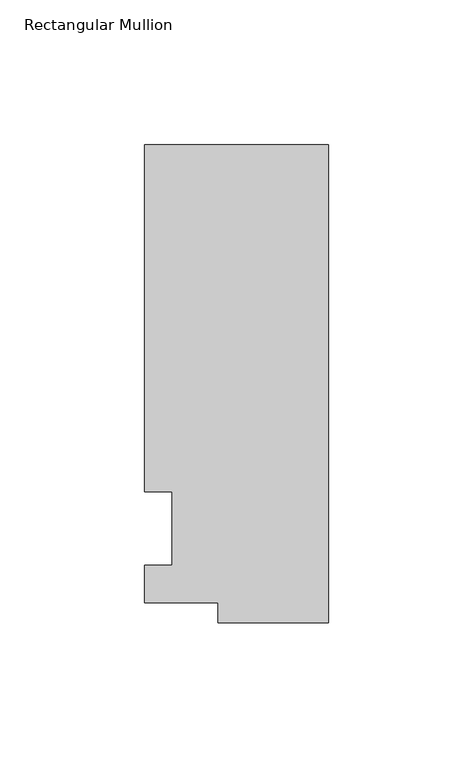
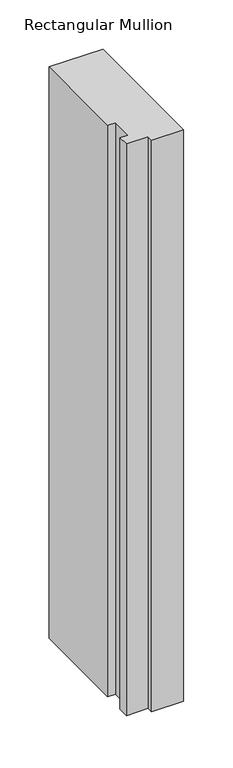
"""IFC4 building model written with IfcOpenShell, lengths in millimetres: member geometry, Rectangular Mullion."""

from ifc_helpers import new_model, si_unit, frame, origin, place, context, project, spatial, polyline, outline, extrude, source, transform, mapped, element, save


def rectangular_mullion_a55da965(model_context):
    return source(origin(), model_context, "Body", "SweptSolid", [
        extrude(outline(polyline([(-38.1, -32.54375), (-38.1, -25.58415), (-63.5, -25.58415), (-63.5, -12.7), (-53.975, -12.7), (-53.975, 12.7), (-63.5, 12.7), (-63.5, 132.55625), (0.0, 132.55625), (0.0, -32.54375), (-38.1, -32.54375)])), frame((0.0, 0.0, -711.2), z_axis=(0.0, 0.0, 1.0), x_axis=(1.0, 0.0, 0.0)), (0.0, 0.0, 1.0), 711.2),
    ])


if __name__ == "__main__":
    model = new_model("IFC4")
    model_context = context("Model", 3, world=origin())
    ifc_project = project(units=[si_unit("LENGTHUNIT", "METRE", prefix="MILLI")], contexts=[model_context])
    site = spatial("IfcSite", under=ifc_project)
    building = spatial("IfcBuilding", under=site)
    placement = place(None, origin())
    rectangular_mullion_shape = rectangular_mullion_a55da965(model_context)
    element("IfcMember", 1, ObjectType="Rectangular Mullion", at=placement, inside=building, context=model_context, shape_type="MappedRepresentation", body=[
        mapped(rectangular_mullion_shape, transform((0.0, 0.0, 0.0), x_axis=(1.0, 0.0, 0.0), y_axis=(0.0, 1.0, 0.0), z_axis=(0.0, 0.0, 1.0))),
    ])
    save(model, "model.ifc")
